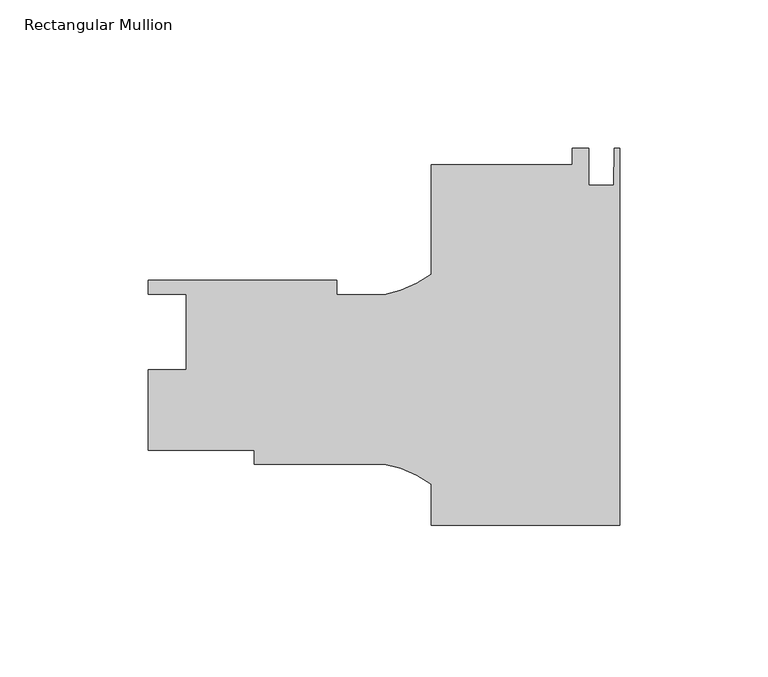
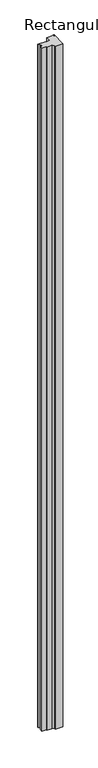
"""IFC4 building model written with IfcOpenShell, lengths in millimetres: member geometry, Rectangular Mullion."""

from ifc_helpers import new_model, si_unit, point, frame, frame_2d, origin, place, context, project, spatial, polyline, circle_curve, trimmed, segment, composite_curve, outline, extrude, source, transform, mapped, element, save


def rectangular_mullion_0981d816(model_context):
    return source(origin(), model_context, "Body", "SweptSolid", [
        extrude(outline(composite_curve([segment(polyline([(0.0, -63.6677388), (-63.5, -63.6677388), (-63.5, -49.8846541)]), True, "CONTINUOUS"), segment(trimmed(circle_curve(frame_2d((-85.6843006, -79.4286912)), 36.945816), [point((-63.5, -49.8846541))], [point((-79.3172861, -43.0356363))], True, "CARTESIAN"), True, "CONTINUOUS"), segment(polyline([(-79.3172861, -43.0356363), (-123.1500517, -43.0356363), (-123.1500517, -38.2731363), (-158.75, -38.2731363), (-158.75, -11.2221363), (-146.05, -11.2221363), (-146.05, 14.1778637), (-158.75, 14.1778637), (-158.75, 18.8768637), (-95.25, 18.8768637), (-95.25, 14.1143637), (-79.3187366, 14.1143637)]), True, "CONTINUOUS"), segment(trimmed(circle_curve(frame_2d((-85.6843006, 50.5076724)), 36.945816), [point((-79.3187366, 14.1143637))], [point((-63.5, 20.9636353))], True, "CARTESIAN"), True, "CONTINUOUS"), segment(polyline([(-63.5, 20.9636353), (-63.5, 57.7696612), (-15.875, 57.7696612), (-15.875, 63.345773), (-10.3124, 63.345773), (-10.3124, 50.9878612), (-2.032, 50.9878612), (-1.778, 63.3322612), (0.0, 63.3322612), (0.0, -63.6677388)]), True, "CONTINUOUS")], self_intersect=False)), frame((0.0, 0.0, -6000.75), z_axis=(0.0, 0.0, 1.0), x_axis=(1.0, 0.0, 0.0)), (0.0, 0.0, 1.0), 6000.75),
    ])


if __name__ == "__main__":
    model = new_model("IFC4")
    model_context = context("Model", 3, world=origin())
    ifc_project = project(units=[si_unit("LENGTHUNIT", "METRE", prefix="MILLI")], contexts=[model_context])
    site = spatial("IfcSite", under=ifc_project)
    building = spatial("IfcBuilding", under=site)
    placement = place(None, origin())
    rectangular_mullion_shape = rectangular_mullion_0981d816(model_context)
    element("IfcMember", 1, ObjectType="Rectangular Mullion", at=placement, inside=building, context=model_context, shape_type="MappedRepresentation", body=[
        mapped(rectangular_mullion_shape, transform((0.0, 0.0, 0.0), x_axis=(1.0, 0.0, 0.0), y_axis=(0.0, 1.0, 0.0), z_axis=(0.0, 0.0, 1.0))),
    ])
    save(model, "model.ifc")
